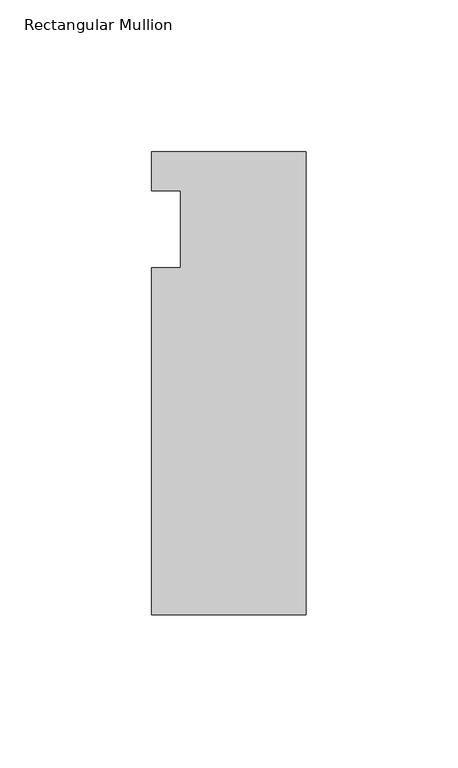
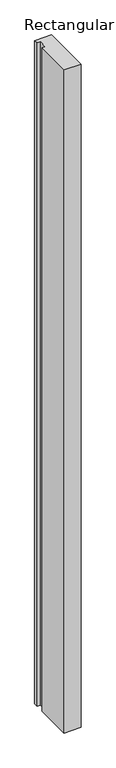
"""IFC4 building model written with IfcOpenShell, lengths in millimetres: member geometry, Rectangular Mullion."""

from ifc_helpers import new_model, si_unit, frame, origin, place, context, project, spatial, polyline, outline, extrude, source, transform, mapped, element, save


def rectangular_mullion_70567ca0(model_context):
    return source(origin(), model_context, "Body", "SweptSolid", [
        extrude(outline(polyline([(-50.8, -139.7), (-50.8, -25.4), (-41.275, -25.4), (-41.275, 0.0), (-50.8, 0.0), (-50.8, 12.7), (0.0, 12.7), (0.0, -139.7), (-50.8, -139.7)])), frame((0.0, 0.0, -2101.85), z_axis=(0.0, 0.0, 1.0), x_axis=(1.0, 0.0, 0.0)), (0.0, 0.0, 1.0), 2101.85),
    ])


if __name__ == "__main__":
    model = new_model("IFC4")
    model_context = context("Model", 3, world=origin())
    ifc_project = project(units=[si_unit("LENGTHUNIT", "METRE", prefix="MILLI")], contexts=[model_context])
    site = spatial("IfcSite", under=ifc_project)
    building = spatial("IfcBuilding", under=site)
    placement = place(None, origin())
    rectangular_mullion_shape = rectangular_mullion_70567ca0(model_context)
    element("IfcMember", 1, ObjectType="Rectangular Mullion", at=placement, inside=building, context=model_context, shape_type="MappedRepresentation", body=[
        mapped(rectangular_mullion_shape, transform((0.0, 0.0, 0.0), x_axis=(1.0, 0.0, 0.0), y_axis=(0.0, 1.0, 0.0), z_axis=(0.0, 0.0, 1.0))),
    ])
    save(model, "model.ifc")
